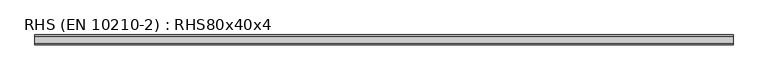
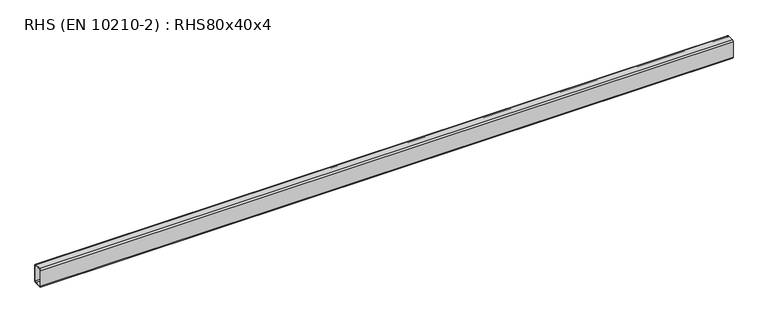
"""IFC4 building model written with IfcOpenShell, lengths in millimetres: beam geometry, RHS (EN 10210-2) : RHS80x40x4."""

from ifc_helpers import new_model, si_unit, point, frame, frame_2d, origin, place, context, project, spatial, polyline, circle_curve, trimmed, segment, composite_curve, outline, extrude, source, transform, mapped, element, save


def rhs_en_10210_2_rhs80x40x4_357d9958(model_context):
    return source(origin(), model_context, "Body", "SweptSolid", [
        extrude(outline(composite_curve([segment(polyline([(20.0, 34.0), (20.0, -34.0)]), True, "CONTINUOUS"), segment(trimmed(circle_curve(frame_2d((14.0, -34.0)), 6.0), [point((20.0, -34.0))], [point((14.0, -40.0))], False, "CARTESIAN"), True, "CONTINUOUS"), segment(polyline([(14.0, -40.0), (-14.0, -40.0)]), True, "CONTINUOUS"), segment(trimmed(circle_curve(frame_2d((-14.0, -34.0)), 6.0), [point((-14.0, -40.0))], [point((-20.0, -34.0))], False, "CARTESIAN"), True, "CONTINUOUS"), segment(polyline([(-20.0, -34.0), (-20.0, 34.0)]), True, "CONTINUOUS"), segment(trimmed(circle_curve(frame_2d((-14.0, 34.0)), 6.0), [point((-20.0, 34.0))], [point((-14.0, 40.0))], False, "CARTESIAN"), True, "CONTINUOUS"), segment(polyline([(-14.0, 40.0), (14.0, 40.0)]), True, "CONTINUOUS"), segment(trimmed(circle_curve(frame_2d((14.0, 34.0)), 6.0), [point((14.0, 40.0))], [point((20.0, 34.0))], False, "CARTESIAN"), True, "CONTINUOUS")], self_intersect=False), holes=[composite_curve([segment(trimmed(circle_curve(frame_2d((-12.0, 32.0)), 4.0), [point((-12.0, 36.0))], [point((-16.0, 32.0))], True, "CARTESIAN"), True, "CONTINUOUS"), segment(polyline([(-16.0, 32.0), (-16.0, -32.0)]), True, "CONTINUOUS"), segment(trimmed(circle_curve(frame_2d((-12.0, -32.0)), 4.0), [point((-16.0, -32.0))], [point((-12.0, -36.0))], True, "CARTESIAN"), True, "CONTINUOUS"), segment(polyline([(-12.0, -36.0), (12.0, -36.0)]), True, "CONTINUOUS"), segment(trimmed(circle_curve(frame_2d((12.0, -32.0)), 4.0), [point((12.0, -36.0))], [point((16.0, -32.0))], True, "CARTESIAN"), True, "CONTINUOUS"), segment(polyline([(16.0, -32.0), (16.0, 32.0)]), True, "CONTINUOUS"), segment(trimmed(circle_curve(frame_2d((12.0, 32.0)), 4.0), [point((16.0, 32.0))], [point((12.0, 36.0))], True, "CARTESIAN"), True, "CONTINUOUS"), segment(polyline([(12.0, 36.0), (-12.0, 36.0)]), True, "CONTINUOUS")], self_intersect=False)]), frame((-1689.8, 0.0, 0.0), z_axis=(1.0, 0.0, 0.0), x_axis=(0.0, 1.0, 0.0)), (0.0, 0.0, 1.0), 2864.2),
    ])


if __name__ == "__main__":
    model = new_model("IFC4")
    model_context = context("Model", 3, world=origin())
    ifc_project = project(units=[si_unit("LENGTHUNIT", "METRE", prefix="MILLI")], contexts=[model_context])
    site = spatial("IfcSite", under=ifc_project)
    building = spatial("IfcBuilding", under=site)
    placement = place(None, origin())
    rhs_en_10210_2_rhs80x40x4_shape = rhs_en_10210_2_rhs80x40x4_357d9958(model_context)
    element("IfcBeam", 1, ObjectType="RHS (EN 10210-2) : RHS80x40x4", at=placement, inside=building, context=model_context, shape_type="MappedRepresentation", body=[
        mapped(rhs_en_10210_2_rhs80x40x4_shape, transform((0.0, 0.0, 0.0), x_axis=(1.0, 0.0, 0.0), y_axis=(0.0, 1.0, 0.0), z_axis=(0.0, 0.0, 1.0))),
    ])
    save(model, "model.ifc")
